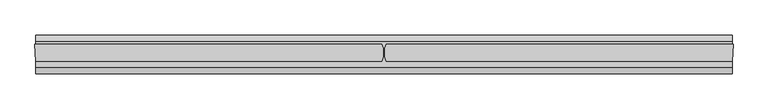
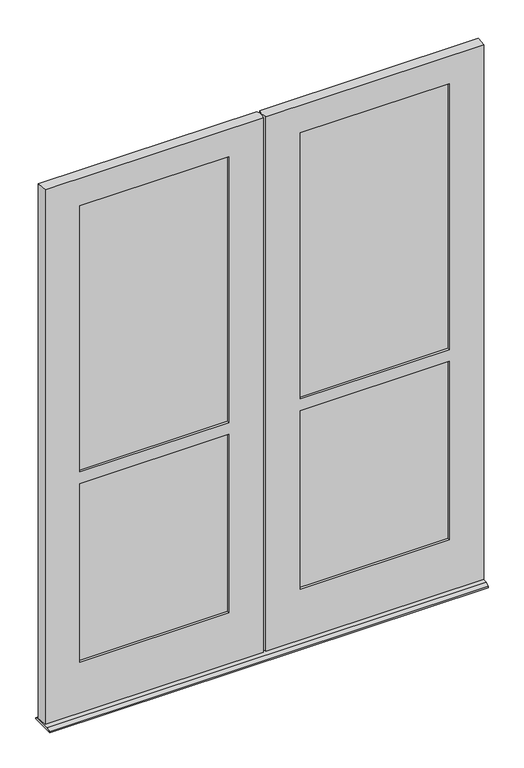
"""IFC4 building model written with IfcOpenShell, lengths in millimetres: plate geometry."""

from ifc_helpers import new_model, si_unit, frame, origin, place, context, project, spatial, polyline, circle_curve, outline, extrude, source, transform, mapped, element, save
from ifc_brep_helpers import plane_surface, cylinder_surface, advanced_brep


def plate_612845fe(model_context):
    return source(origin(), model_context, "Body", "SolidModel", [
        extrude(outline(polyline([(3.9496546, 12.7), (20.6375, 4.9183299), (20.6375, 0.0), (-80.9625908, 0.0), (-80.9625908, 4.9183299), (-64.2747454, 12.7), (3.9496546, 12.7)])), frame((-909.259675, 0.0, 0.0), z_axis=(1.0, 0.0, 0.0), x_axis=(0.0, 1.0, 0.0)), (0.0, 0.0, 1.0), 1818.51935),
        advanced_brep(
        [(-909.2692, -47.625, 2359.656825), (-5.6038941, -47.625, 2359.656825), (-5.6038941, -3.175, 2359.656825), (-912.0378, -3.175, 2359.656825), (-5.6038941, -47.625, 17.4625), (-909.2692, -47.625, 17.4625), (-912.0378, -3.175, 17.4625), (-5.6038941, -3.175, 17.4625), (-147.6375, -38.1, 1022.35), (-147.6375, -38.1, 239.7125), (-147.6375, -47.625, 239.7125), (-147.6375, -47.625, 1022.35), (-147.6375, -38.1, 2239.006825), (-147.6375, -38.1, 1073.15), (-147.6375, -47.625, 1073.15), (-147.6375, -47.625, 2239.006825), (-140.49375, -12.7, 232.56875), (-140.49375, -38.1, 232.56875), (-140.49375, -38.1, 1029.49375), (-140.49375, -12.7, 1029.49375), (-140.49375, -12.7, 2246.150575), (-140.49375, -12.7, 1066.00625), (-140.49375, -38.1, 1066.00625), (-140.49375, -38.1, 2246.150575), (-147.6375, -3.175, 1022.35), (-147.6375, -3.175, 239.7125), (-147.6375, -12.7, 239.7125), (-147.6375, -12.7, 1022.35), (-147.6375, -3.175, 2239.006825), (-147.6375, -3.175, 1073.15), (-147.6375, -12.7, 1073.15), (-147.6375, -12.7, 2239.006825), (-765.9878, -3.175, 239.7125), (-765.9878, -12.7, 239.7125), (-773.13155, -12.7, 232.56875), (-773.13155, -38.1, 232.56875), (-765.9878, -38.1, 239.7125), (-765.9878, -47.625, 239.7125), (-765.9878, -3.175, 1073.15), (-765.9878, -12.7, 1073.15), (-773.13155, -38.1, 1066.00625), (-773.13155, -12.7, 1066.00625), (-765.9878, -38.1, 1073.15), (-765.9878, -47.625, 1073.15), (-765.9878, -47.625, 1022.35), (-765.9878, -38.1, 1022.35), (-773.13155, -12.7, 1029.49375), (-773.13155, -38.1, 1029.49375), (-765.9878, -12.7, 1022.35), (-765.9878, -3.175, 1022.35), (-765.9878, -12.7, 2239.006825), (-765.9878, -3.175, 2239.006825), (-773.13155, -12.7, 2246.150575), (-773.13155, -38.1, 2246.150575), (-765.9878, -47.625, 2239.006825), (-765.9878, -38.1, 2239.006825)],
        [
            (0, 1),
            (1, 2, circle_curve(frame((-65.0875, -25.4, 2359.656825), z_axis=(0.0, 0.0, 1.0), x_axis=(0.0, -1.0, 0.0)), 63.5)),
            (2, 3),
            (3, 0),
            (4, 5),
            (5, 6),
            (6, 7),
            (7, 4, circle_curve(frame((-65.0875, -25.4, 17.4625), z_axis=(0.0, 0.0, -1.0), x_axis=(0.0, -1.0, 0.0)), 63.5)),
            (8, 9),
            (9, 10),
            (10, 11),
            (11, 8),
            (12, 13),
            (13, 14),
            (14, 15),
            (15, 12),
            (16, 17),
            (17, 18),
            (18, 19),
            (19, 16),
            (20, 21),
            (21, 22),
            (22, 23),
            (23, 20),
            (24, 25),
            (25, 26),
            (26, 27),
            (27, 24),
            (28, 29),
            (29, 30),
            (30, 31),
            (31, 28),
            (7, 2),
            (1, 4),
            (32, 33),
            (33, 26),
            (25, 32),
            (16, 34),
            (34, 35),
            (35, 17),
            (36, 37),
            (37, 10),
            (9, 36),
            (38, 39),
            (39, 30),
            (29, 38),
            (40, 22),
            (21, 41),
            (41, 40),
            (42, 43),
            (43, 14),
            (13, 42),
            (11, 44),
            (44, 45),
            (45, 8),
            (46, 19),
            (18, 47),
            (47, 46),
            (27, 48),
            (48, 49),
            (49, 24),
            (50, 51),
            (51, 28),
            (31, 50),
            (52, 20),
            (23, 53),
            (53, 52),
            (54, 55),
            (55, 12),
            (15, 54),
            (48, 33),
            (32, 49),
            (50, 39),
            (38, 51),
            (46, 34),
            (52, 41),
            (47, 35),
            (53, 40),
            (55, 42),
            (45, 36),
            (54, 43),
            (44, 37),
            (0, 5),
            (6, 3),
        ],
        [
            plane_surface(frame((909.2692, -47.625, 2359.656825), z_axis=(0.0, 0.0, 1.0), x_axis=(-1.0, 0.0, 0.0))),
            plane_surface(frame((914.4, -25.4, 17.4625), z_axis=(0.0, 0.0, -1.0), x_axis=(0.0, -1.0, 0.0))),
            plane_surface(frame((-147.6375, -47.625, 2359.656825), z_axis=(-1.0, 0.0, 0.0), x_axis=(0.0, 0.0, -1.0))),
            plane_surface(frame((-140.49375, -38.1, 2359.656825), z_axis=(-1.0, 0.0, 0.0), x_axis=(0.0, 0.0, -1.0))),
            plane_surface(frame((-147.6375, -12.7, 2359.656825), z_axis=(-1.0, 0.0, 0.0), x_axis=(0.0, 0.0, -1.0))),
            cylinder_surface(frame((-65.0875, -25.4, 2359.656825), z_axis=(0.0, 0.0, 1.0), x_axis=(0.0, -1.0, 0.0)), 63.5),
            plane_surface(frame((-909.2692, -3.175, 239.7125), z_axis=(0.0, 0.0, 1.0), x_axis=(1.0, 0.0, 0.0))),
            plane_surface(frame((-909.2692, -12.7, 232.56875), z_axis=(0.0, 0.0, 1.0), x_axis=(1.0, 0.0, 0.0))),
            plane_surface(frame((-909.2692, -38.1, 239.7125), z_axis=(0.0, 0.0, 1.0), x_axis=(1.0, 0.0, 0.0))),
            plane_surface(frame((-773.13155, -3.175, 1073.15), z_axis=(0.0, 0.0, 1.0), x_axis=(1.0, 0.0, 0.0))),
            plane_surface(frame((-773.13155, -12.7, 1066.00625), z_axis=(0.0, 0.0, 1.0), x_axis=(1.0, 0.0, 0.0))),
            plane_surface(frame((-773.13155, -38.1, 1073.15), z_axis=(0.0, 0.0, 1.0), x_axis=(1.0, 0.0, 0.0))),
            plane_surface(frame((-773.13155, -47.625, 1022.35), z_axis=(0.0, 0.0, -1.0), x_axis=(1.0, 0.0, 0.0))),
            plane_surface(frame((-773.13155, -38.1, 1029.49375), z_axis=(0.0, 0.0, -1.0), x_axis=(1.0, 0.0, 0.0))),
            plane_surface(frame((-773.13155, -12.7, 1022.35), z_axis=(0.0, 0.0, -1.0), x_axis=(1.0, 0.0, 0.0))),
            plane_surface(frame((-5.5889985, -3.175, 2239.006825), z_axis=(0.0, 0.0, -1.0), x_axis=(-1.0, 0.0, 0.0))),
            plane_surface(frame((-5.5889985, -12.7, 2246.150575), z_axis=(0.0, 0.0, -1.0), x_axis=(-1.0, 0.0, 0.0))),
            plane_surface(frame((-5.5889985, -38.1, 2239.006825), z_axis=(0.0, 0.0, -1.0), x_axis=(-1.0, 0.0, 0.0))),
            plane_surface(frame((-765.9878, -3.175, 2359.656825), z_axis=(1.0, 0.0, 0.0), x_axis=(0.0, 0.0, -1.0))),
            plane_surface(frame((-765.9878, -12.7, 2359.656825), z_axis=(0.0, -1.0, 0.0), x_axis=(0.0, 0.0, -1.0))),
            plane_surface(frame((-773.13155, -12.7, 2359.656825), z_axis=(1.0, 0.0, 0.0), x_axis=(0.0, 0.0, -1.0))),
            plane_surface(frame((-773.13155, -38.1, 2359.656825), z_axis=(0.0, 1.0, 0.0), x_axis=(0.0, 0.0, -1.0))),
            plane_surface(frame((-765.9878, -38.1, 2359.656825), z_axis=(1.0, 0.0, 0.0), x_axis=(0.0, 0.0, -1.0))),
            plane_surface(frame((-765.9878, -47.625, 2359.656825), z_axis=(0.0, -1.0, 0.0), x_axis=(0.0, 0.0, -1.0))),
            plane_surface(frame((-912.0378, -3.175, 2359.656825), z_axis=(0.0, 1.0, 0.0), x_axis=(0.0, 0.0, -1.0))),
            plane_surface(frame((-909.2692, -47.625, 2359.656825), z_axis=(-0.9980658706879195, -0.0621652456599755, 0.0), x_axis=(0.0, 0.0, -1.0))),
        ],
        [
            (0, [[1, 2, 3, 4]]),
            (1, [[5, 6, 7, 8]]),
            (2, [[9, 10, 11, 12]]),
            (2, [[13, 14, 15, 16]]),
            (3, [[17, 18, 19, 20]]),
            (3, [[21, 22, 23, 24]]),
            (4, [[25, 26, 27, 28]]),
            (4, [[29, 30, 31, 32]]),
            (5, [[-8, 33, -2, 34]]),
            (6, [[35, 36, -26, 37]]),
            (7, [[-17, 38, 39, 40]]),
            (8, [[41, 42, -10, 43]]),
            (9, [[44, 45, -30, 46]]),
            (10, [[47, -22, 48, 49]]),
            (11, [[50, 51, -14, 52]]),
            (12, [[-12, 53, 54, 55]]),
            (13, [[56, -19, 57, 58]]),
            (14, [[-28, 59, 60, 61]]),
            (15, [[62, 63, -32, 64]]),
            (16, [[65, -24, 66, 67]]),
            (17, [[68, 69, -16, 70]]),
            (18, [[71, -35, 72, -60]]),
            (18, [[73, -44, 74, -62]]),
            (19, [[75, -38, -20, -56], [-27, -36, -71, -59]]),
            (19, [[76, -48, -21, -65], [-31, -45, -73, -64]]),
            (20, [[-39, -75, -58, 77]]),
            (20, [[78, -49, -76, -67]]),
            (21, [[-23, -47, -78, -66], [79, -52, -13, -69]]),
            (21, [[-18, -40, -77, -57], [80, -43, -9, -55]]),
            (22, [[81, -50, -79, -68]]),
            (22, [[82, -41, -80, -54]]),
            (23, [[-34, -1, 83, -5], [-15, -51, -81, -70], [-53, -11, -42, -82]]),
            (24, [[-3, -33, -7, 84], [-74, -46, -29, -63], [-61, -72, -37, -25]]),
            (25, [[-84, -6, -83, -4]]),
        ],
    ),
        advanced_brep(
        [(912.0378, -3.175, 2359.656825), (5.5889985, -3.175, 2359.656825), (5.6038941, -47.625, 2359.656825), (909.2692, -47.625, 2359.656825), (912.0378, -3.175, 17.4625), (5.5889985, -3.175, 17.4625), (765.9878, -3.175, 1022.35), (147.6375, -3.175, 1022.35), (147.6375, -3.175, 239.7125), (765.9878, -3.175, 239.7125), (765.9878, -3.175, 2239.006825), (147.6375, -3.175, 2239.006825), (147.6375, -3.175, 1073.15), (765.9878, -3.175, 1073.15), (5.6038941, -47.625, 17.4625), (909.2692, -47.625, 17.4625), (765.9878, -47.625, 1073.15), (147.6375, -47.625, 1073.15), (147.6375, -47.625, 2239.006825), (765.9878, -47.625, 2239.006825), (765.9878, -47.625, 239.7125), (147.6375, -47.625, 239.7125), (147.6375, -47.625, 1022.35), (765.9878, -47.625, 1022.35), (147.6375, -12.7, 239.7125), (765.9878, -12.7, 239.7125), (773.13155, -12.7, 232.56875), (140.49375, -12.7, 232.56875), (140.49375, -38.1, 232.56875), (773.13155, -38.1, 232.56875), (765.9878, -38.1, 239.7125), (147.6375, -38.1, 239.7125), (765.9878, -38.1, 1022.35), (765.9878, -38.1, 2239.006825), (765.9878, -38.1, 1073.15), (773.13155, -38.1, 1029.49375), (773.13155, -12.7, 1029.49375), (773.13155, -12.7, 2246.150575), (773.13155, -12.7, 1066.00625), (773.13155, -38.1, 1066.00625), (773.13155, -38.1, 2246.150575), (765.9878, -12.7, 1073.15), (765.9878, -12.7, 2239.006825), (765.9878, -12.7, 1022.35), (147.6375, -12.7, 1073.15), (147.6375, -12.7, 2239.006825), (147.6375, -12.7, 1022.35), (140.49375, -12.7, 1029.49375), (140.49375, -38.1, 1029.49375), (140.49375, -38.1, 2246.150575), (140.49375, -38.1, 1066.00625), (140.49375, -12.7, 1066.00625), (140.49375, -12.7, 2246.150575), (147.6375, -38.1, 1073.15), (147.6375, -38.1, 2239.006825), (147.6375, -38.1, 1022.35)],
        [
            (0, 1),
            (1, 2, circle_curve(frame((65.0875, -25.4, 2359.656825), z_axis=(0.0, 0.0, 1.0), x_axis=(0.0, -1.0, 0.0)), 63.5)),
            (2, 3),
            (3, 0),
            (4, 5),
            (5, 1),
            (0, 4),
            (6, 7),
            (7, 8),
            (8, 9),
            (9, 6),
            (10, 11),
            (11, 12),
            (12, 13),
            (13, 10),
            (2, 14),
            (14, 15),
            (15, 3),
            (16, 17),
            (17, 18),
            (18, 19),
            (19, 16),
            (20, 21),
            (21, 22),
            (22, 23),
            (23, 20),
            (14, 5, circle_curve(frame((65.0875, -25.4, 17.4625), z_axis=(0.0, 0.0, -1.0), x_axis=(0.0, -1.0, 0.0)), 63.5)),
            (4, 15),
            (8, 24),
            (24, 25),
            (25, 9),
            (26, 27),
            (27, 28),
            (28, 29),
            (29, 26),
            (30, 31),
            (31, 21),
            (20, 30),
            (23, 32),
            (32, 30),
            (33, 34),
            (34, 16),
            (19, 33),
            (29, 35),
            (35, 36),
            (36, 26),
            (37, 38),
            (38, 39),
            (39, 40),
            (40, 37),
            (13, 41),
            (41, 42),
            (42, 10),
            (25, 43),
            (43, 6),
            (44, 12),
            (11, 45),
            (45, 44),
            (7, 46),
            (46, 24),
            (27, 47),
            (47, 48),
            (48, 28),
            (49, 50),
            (50, 51),
            (51, 52),
            (52, 49),
            (17, 53),
            (53, 54),
            (54, 18),
            (55, 22),
            (31, 55),
            (42, 45),
            (36, 47),
            (46, 43),
            (37, 52),
            (51, 38),
            (41, 44),
            (40, 49),
            (48, 35),
            (32, 55),
            (39, 50),
            (33, 54),
            (53, 34),
        ],
        [
            plane_surface(frame((909.2692, -47.625, 2359.656825), z_axis=(0.0, 0.0, 1.0), x_axis=(-1.0, 0.0, 0.0))),
            plane_surface(frame((909.2692, -3.175, 2359.656825), z_axis=(0.0, 1.0, 0.0), x_axis=(-1.0, 0.0, 0.0))),
            plane_surface(frame((909.2692, -47.625, 2239.006825), z_axis=(0.0, -1.0, 0.0), x_axis=(-1.0, 0.0, 0.0))),
            plane_surface(frame((914.4, -25.4, 17.4625), z_axis=(0.0, 0.0, -1.0), x_axis=(0.0, -1.0, 0.0))),
            plane_surface(frame((5.5889985, -3.175, 239.7125), z_axis=(0.0, 0.0, 1.0), x_axis=(1.0, 0.0, 0.0))),
            plane_surface(frame((5.5889985, -12.7, 232.56875), z_axis=(0.0, 0.0, 1.0), x_axis=(1.0, 0.0, 0.0))),
            plane_surface(frame((5.5889985, -38.1, 239.7125), z_axis=(0.0, 0.0, 1.0), x_axis=(1.0, 0.0, 0.0))),
            plane_surface(frame((765.9878, -47.625, 2359.656825), z_axis=(-1.0, 0.0, 0.0), x_axis=(0.0, 0.0, -1.0))),
            plane_surface(frame((773.13155, -38.1, 2359.656825), z_axis=(-1.0, 0.0, 0.0), x_axis=(0.0, 0.0, -1.0))),
            plane_surface(frame((765.9878, -12.7, 2359.656825), z_axis=(-1.0, 0.0, 0.0), x_axis=(0.0, 0.0, -1.0))),
            cylinder_surface(frame((65.0875, -25.4, 2359.656825), z_axis=(0.0, 0.0, 1.0), x_axis=(0.0, -1.0, 0.0)), 63.5),
            plane_surface(frame((147.6375, -3.175, 2359.656825), z_axis=(1.0, 0.0, 0.0), x_axis=(0.0, 0.0, -1.0))),
            plane_surface(frame((140.49375, -12.7, 2359.656825), z_axis=(1.0, 0.0, 0.0), x_axis=(0.0, 0.0, -1.0))),
            plane_surface(frame((147.6375, -38.1, 2359.656825), z_axis=(1.0, 0.0, 0.0), x_axis=(0.0, 0.0, -1.0))),
            plane_surface(frame((909.2692, -3.175, 2239.006825), z_axis=(0.0, 0.0, -1.0), x_axis=(-1.0, 0.0, 0.0))),
            plane_surface(frame((909.2692, -12.7, 2239.006825), z_axis=(0.0, -1.0, 0.0), x_axis=(-1.0, 0.0, 0.0))),
            plane_surface(frame((909.2692, -12.7, 2246.150575), z_axis=(0.0, 0.0, -1.0), x_axis=(-1.0, 0.0, 0.0))),
            plane_surface(frame((909.2692, -38.1, 2246.150575), z_axis=(0.0, 1.0, 0.0), x_axis=(-1.0, 0.0, 0.0))),
            plane_surface(frame((909.2692, -38.1, 2239.006825), z_axis=(0.0, 0.0, -1.0), x_axis=(-1.0, 0.0, 0.0))),
            plane_surface(frame((140.49375, -3.175, 1073.15), z_axis=(0.0, 0.0, 1.0), x_axis=(1.0, 0.0, 0.0))),
            plane_surface(frame((140.49375, -12.7, 1066.00625), z_axis=(0.0, 0.0, 1.0), x_axis=(1.0, 0.0, 0.0))),
            plane_surface(frame((140.49375, -38.1, 1073.15), z_axis=(0.0, 0.0, 1.0), x_axis=(1.0, 0.0, 0.0))),
            plane_surface(frame((140.49375, -47.625, 1022.35), z_axis=(0.0, 0.0, -1.0), x_axis=(1.0, 0.0, 0.0))),
            plane_surface(frame((140.49375, -38.1, 1029.49375), z_axis=(0.0, 0.0, -1.0), x_axis=(1.0, 0.0, 0.0))),
            plane_surface(frame((140.49375, -12.7, 1022.35), z_axis=(0.0, 0.0, -1.0), x_axis=(1.0, 0.0, 0.0))),
            plane_surface(frame((912.0378, -3.175, 2359.656825), z_axis=(0.9980658706879217, -0.062165245659941595, 0.0), x_axis=(0.0, 0.0, -1.0))),
        ],
        [
            (0, [[1, 2, 3, 4]]),
            (1, [[5, 6, -1, 7], [8, 9, 10, 11], [12, 13, 14, 15]]),
            (2, [[-3, 16, 17, 18], [19, 20, 21, 22], [23, 24, 25, 26]]),
            (3, [[-17, 27, -5, 28]]),
            (4, [[-10, 29, 30, 31]]),
            (5, [[32, 33, 34, 35]]),
            (6, [[36, 37, -23, 38]]),
            (7, [[-26, 39, 40, -38]]),
            (7, [[41, 42, -22, 43]]),
            (8, [[44, 45, 46, -35]]),
            (8, [[47, 48, 49, 50]]),
            (9, [[-15, 51, 52, 53]]),
            (9, [[54, 55, -11, -31]]),
            (10, [[-6, -27, -16, -2]]),
            (11, [[56, -13, 57, 58]]),
            (11, [[59, 60, -29, -9]]),
            (12, [[61, 62, 63, -33]]),
            (12, [[64, 65, 66, 67]]),
            (13, [[68, 69, 70, -20]]),
            (13, [[71, -24, -37, 72]]),
            (14, [[73, -57, -12, -53]]),
            (15, [[74, -61, -32, -46], [-30, -60, 75, -54]]),
            (15, [[76, -66, 77, -47], [78, -58, -73, -52]]),
            (16, [[79, -67, -76, -50]]),
            (17, [[-34, -63, 80, -44], [81, -72, -36, -40]]),
            (17, [[82, -64, -79, -49], [83, -69, 84, -41]]),
            (18, [[-21, -70, -83, -43]]),
            (19, [[-14, -56, -78, -51]]),
            (20, [[-77, -65, -82, -48]]),
            (21, [[-84, -68, -19, -42]]),
            (22, [[-25, -71, -81, -39]]),
            (23, [[-80, -62, -74, -45]]),
            (24, [[-75, -59, -8, -55]]),
            (25, [[-18, -28, -7, -4]]),
        ],
    ),
        extrude(outline(polyline([(-773.13155, -12.7), (-140.49375, -12.7), (-140.49375, -18.9992), (-773.13155, -18.9992), (-773.13155, -12.7)])), frame((0.0, 0.0, 1066.00625), z_axis=(0.0, 0.0, 1.0), x_axis=(1.0, 0.0, 0.0)), (0.0, 0.0, 1.0), 1180.144325),
        extrude(outline(polyline([(-140.49375, -38.1), (-773.13155, -38.1), (-773.13155, -31.8008), (-140.49375, -31.8008), (-140.49375, -38.1)])), frame((0.0, 0.0, 1066.00625), z_axis=(0.0, 0.0, 1.0), x_axis=(1.0, 0.0, 0.0)), (0.0, 0.0, 1.0), 1180.144325),
        extrude(outline(polyline([(-140.49375, -12.7), (-140.49375, -18.9992), (-773.13155, -18.9992), (-773.13155, -12.7), (-140.49375, -12.7)])), frame((0.0, 0.0, 232.56875), z_axis=(0.0, 0.0, 1.0), x_axis=(1.0, 0.0, 0.0)), (0.0, 0.0, 1.0), 796.925),
        extrude(outline(polyline([(-773.13155, -38.1), (-773.13155, -31.8008), (-140.49375, -31.8008), (-140.49375, -38.1), (-773.13155, -38.1)])), frame((0.0, 0.0, 232.56875), z_axis=(0.0, 0.0, 1.0), x_axis=(1.0, 0.0, 0.0)), (0.0, 0.0, 1.0), 796.925),
        extrude(outline(polyline([(140.49375, -38.1), (140.49375, -31.8008), (773.13155, -31.8008), (773.13155, -38.1), (140.49375, -38.1)])), frame((0.0, 0.0, 232.56875), z_axis=(0.0, 0.0, 1.0), x_axis=(1.0, 0.0, 0.0)), (0.0, 0.0, 1.0), 796.925),
        extrude(outline(polyline([(773.13155, -12.7), (773.13155, -18.9992), (140.49375, -18.9992), (140.49375, -12.7), (773.13155, -12.7)])), frame((0.0, 0.0, 232.56875), z_axis=(0.0, 0.0, 1.0), x_axis=(1.0, 0.0, 0.0)), (0.0, 0.0, 1.0), 796.925),
        extrude(outline(polyline([(140.49375, -12.7), (773.13155, -12.7), (773.13155, -18.9992), (140.49375, -18.9992), (140.49375, -12.7)])), frame((0.0, 0.0, 1066.00625), z_axis=(0.0, 0.0, 1.0), x_axis=(1.0, 0.0, 0.0)), (0.0, 0.0, 1.0), 1180.144325),
        extrude(outline(polyline([(773.13155, -38.1), (140.49375, -38.1), (140.49375, -31.8008), (773.13155, -31.8008), (773.13155, -38.1)])), frame((0.0, 0.0, 1066.00625), z_axis=(0.0, 0.0, 1.0), x_axis=(1.0, 0.0, 0.0)), (0.0, 0.0, 1.0), 1180.144325),
    ])


if __name__ == "__main__":
    model = new_model("IFC4")
    model_context = context("Model", 3, world=origin())
    ifc_project = project(units=[si_unit("LENGTHUNIT", "METRE", prefix="MILLI")], contexts=[model_context])
    site = spatial("IfcSite", under=ifc_project)
    building = spatial("IfcBuilding", under=site)
    placement = place(None, origin())
    plate_shape = plate_612845fe(model_context)
    element("IfcPlate", 1, at=placement, inside=building, context=model_context, shape_type="MappedRepresentation", body=[
        mapped(plate_shape, transform((0.0, 0.0, 0.0), x_axis=(1.0, 0.0, 0.0), y_axis=(0.0, 1.0, 0.0), z_axis=(0.0, 0.0, 1.0))),
    ])
    save(model, "model.ifc")
